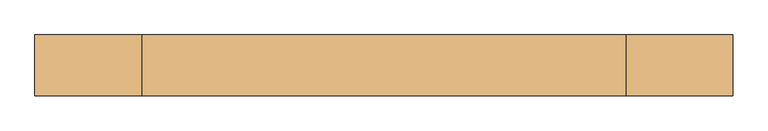
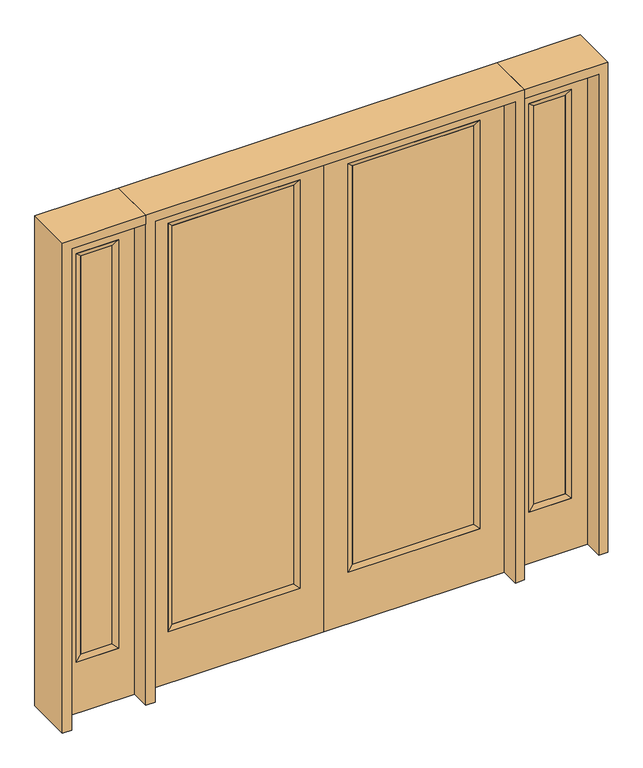
"""IFC4 building model written with IfcOpenShell, lengths in millimetres: door geometry."""

from ifc_helpers import new_model, si_unit, frame, origin, place, context, project, spatial, polyline, outline, extrude, faceted_brep, source, transform, mapped, element, save


def door_806835e6(model_context):
    return source(origin(), model_context, "Body", "SolidModel", [
        extrude(outline(polyline([(140.8176, -12.7039749), (140.8176, 14.2875), (722.7824, 14.2875), (722.7824, -12.7039749), (140.8176, -12.7039749)])), frame((0.0, 0.0, 285.75), z_axis=(0.0, 0.0, 1.0), x_axis=(1.0, 0.0, 0.0)), (0.0, 0.0, 1.0), 2019.3),
        faceted_brep([(140.8176, 14.2875, 2305.05), (140.8176, 14.2875, 285.75), (115.4176, 22.225, 260.35), (115.4176, 22.225, 2330.45), (115.4176, -22.225, 260.35), (115.4176, -22.225, 2330.45), (722.7824, 14.2875, 285.75), (748.1824, 22.225, 260.35), (140.8176, -12.7039749, 2305.05), (140.8176, -12.7039749, 285.75), (722.7824, -12.7039749, 285.75), (748.1824, -22.225, 260.35), (722.7824, 14.2875, 2305.05), (748.1824, 22.225, 2330.45), (722.7824, -12.7039749, 2305.05), (748.1824, -22.225, 2330.45)], [[[0, 1, 2, 3]], [[3, 2, 4, 5]], [[1, 6, 7, 2]], [[8, 9, 1, 0]], [[9, 10, 6, 1]], [[5, 4, 9, 8]], [[4, 11, 10, 9]], [[2, 7, 11, 4]], [[6, 12, 13, 7]], [[10, 14, 12, 6]], [[11, 15, 14, 10]], [[7, 13, 15, 11]], [[12, 0, 3, 13]], [[14, 8, 0, 12]], [[15, 5, 8, 14]], [[13, 3, 5, 15]]]),
        extrude(outline(polyline([(0.0, 863.6), (2438.4, 863.6), (2438.4, 0.0), (0.0, 0.0), (0.0, 863.6)]), holes=[polyline([(260.35, 748.1824), (260.35, 115.4176), (2330.45, 115.4176), (2330.45, 748.1824), (260.35, 748.1824)])]), frame((0.0, -22.225, 0.0), z_axis=(0.0, 1.0, 0.0), x_axis=(0.0, 0.0, 1.0)), (0.0, 0.0, 1.0), 44.45),
        extrude(outline(polyline([(-140.8176, -12.7039749), (-722.7824, -12.7039749), (-722.7824, 14.2875), (-140.8176, 14.2875), (-140.8176, -12.7039749)])), frame((0.0, 0.0, 285.75), z_axis=(0.0, 0.0, 1.0), x_axis=(1.0, 0.0, 0.0)), (0.0, 0.0, 1.0), 2019.3),
        faceted_brep([(-140.8176, 14.2875, 2305.05), (-115.4176, 22.225, 2330.45), (-115.4176, 22.225, 260.35), (-140.8176, 14.2875, 285.75), (-115.4176, -22.225, 2330.45), (-115.4176, -22.225, 260.35), (-748.1824, 22.225, 260.35), (-722.7824, 14.2875, 285.75), (-140.8176, -12.7039749, 2305.05), (-140.8176, -12.7039749, 285.75), (-722.7824, -12.7039749, 285.75), (-748.1824, -22.225, 260.35), (-748.1824, 22.225, 2330.45), (-722.7824, 14.2875, 2305.05), (-722.7824, -12.7039749, 2305.05), (-748.1824, -22.225, 2330.45)], [[[0, 1, 2, 3]], [[1, 4, 5, 2]], [[3, 2, 6, 7]], [[8, 0, 3, 9]], [[9, 3, 7, 10]], [[4, 8, 9, 5]], [[5, 9, 10, 11]], [[2, 5, 11, 6]], [[7, 6, 12, 13]], [[10, 7, 13, 14]], [[11, 10, 14, 15]], [[6, 11, 15, 12]], [[13, 12, 1, 0]], [[14, 13, 0, 8]], [[15, 14, 8, 4]], [[12, 15, 4, 1]]]),
        extrude(outline(polyline([(0.0, -863.6), (0.0, 0.0), (2438.4, 0.0), (2438.4, -863.6), (0.0, -863.6)]), holes=[polyline([(260.35, -748.1824), (2330.45, -748.1824), (2330.45, -115.4176), (260.35, -115.4176), (260.35, -748.1824)])]), frame((0.0, -22.225, 0.0), z_axis=(0.0, 1.0, 0.0), x_axis=(0.0, 0.0, 1.0)), (0.0, 0.0, 1.0), 44.45),
        faceted_brep([(984.25, 20.6375, 2330.45), (984.25, 20.6375, 260.35), (984.25, -20.6375, 260.35), (984.25, -20.6375, 2330.45), (1009.65, -12.7, 285.75), (1009.65, -12.7, 2305.05), (1187.45, 20.6375, 260.35), (1187.45, -20.6375, 260.35), (1009.65, 12.7, 2305.05), (1009.65, 12.7, 285.75), (1162.05, 12.7, 285.75), (1162.05, -12.7, 285.75), (1187.45, 20.6375, 2330.45), (1187.45, -20.6375, 2330.45), (1162.05, 12.7, 2305.05), (1162.05, -12.7, 2305.05)], [[[0, 1, 2, 3]], [[3, 2, 4, 5]], [[1, 6, 7, 2]], [[8, 9, 1, 0]], [[9, 10, 6, 1]], [[5, 4, 9, 8]], [[4, 11, 10, 9]], [[2, 7, 11, 4]], [[6, 12, 13, 7]], [[10, 14, 12, 6]], [[11, 15, 14, 10]], [[7, 13, 15, 11]], [[12, 0, 3, 13]], [[14, 8, 0, 12]], [[15, 5, 8, 14]], [[13, 3, 5, 15]]]),
        extrude(outline(polyline([(0.0, 1263.65), (2438.4, 1263.65), (2438.4, 908.05), (0.0, 908.05), (0.0, 1263.65)]), holes=[polyline([(2330.45, 984.25), (2330.45, 1187.45), (260.35, 1187.45), (260.35, 984.25), (2330.45, 984.25)])]), frame((0.0, -20.6375, 0.0), z_axis=(0.0, 1.0, 0.0), x_axis=(0.0, 0.0, 1.0)), (0.0, 0.0, 1.0), 41.275),
        extrude(outline(polyline([(1009.65, -12.7), (1009.65, 12.7), (1162.05, 12.7), (1162.05, -12.7), (1009.65, -12.7)])), frame((0.0, 0.0, 285.75), z_axis=(0.0, 0.0, 1.0), x_axis=(1.0, 0.0, 0.0)), (0.0, 0.0, 1.0), 2019.3),
        faceted_brep([(-984.25, 20.6375, 2330.45), (-984.25, -20.6375, 2330.45), (-984.25, -20.6375, 260.35), (-984.25, 20.6375, 260.35), (-1009.65, -12.7, 2305.05), (-1009.65, -12.7, 285.75), (-1187.45, -20.6375, 260.35), (-1187.45, 20.6375, 260.35), (-1009.65, 12.7, 2305.05), (-1009.65, 12.7, 285.75), (-1162.05, 12.7, 285.75), (-1162.05, -12.7, 285.75), (-1187.45, -20.6375, 2330.45), (-1187.45, 20.6375, 2330.45), (-1162.05, 12.7, 2305.05), (-1162.05, -12.7, 2305.05)], [[[0, 1, 2, 3]], [[1, 4, 5, 2]], [[3, 2, 6, 7]], [[8, 0, 3, 9]], [[9, 3, 7, 10]], [[4, 8, 9, 5]], [[5, 9, 10, 11]], [[2, 5, 11, 6]], [[7, 6, 12, 13]], [[10, 7, 13, 14]], [[11, 10, 14, 15]], [[6, 11, 15, 12]], [[13, 12, 1, 0]], [[14, 13, 0, 8]], [[15, 14, 8, 4]], [[12, 15, 4, 1]]]),
        extrude(outline(polyline([(0.0, -1263.65), (0.0, -908.05), (2438.4, -908.05), (2438.4, -1263.65), (0.0, -1263.65)]), holes=[polyline([(2330.45, -984.25), (260.35, -984.25), (260.35, -1187.45), (2330.45, -1187.45), (2330.45, -984.25)])]), frame((0.0, -20.6375, 0.0), z_axis=(0.0, 1.0, 0.0), x_axis=(0.0, 0.0, 1.0)), (0.0, 0.0, 1.0), 41.275),
        extrude(outline(polyline([(-1009.65, -12.7), (-1162.05, -12.7), (-1162.05, 12.7), (-1009.65, 12.7), (-1009.65, -12.7)])), frame((0.0, 0.0, 285.75), z_axis=(0.0, 0.0, 1.0), x_axis=(1.0, 0.0, 0.0)), (0.0, 0.0, 1.0), 2019.3),
        extrude(outline(polyline([(2438.4, -908.05), (2482.85, -908.05), (2482.85, -1308.1), (0.0, -1308.1), (0.0, -1263.65), (2438.4, -1263.65), (2438.4, -908.05)])), frame((0.0, -114.3, 0.0), z_axis=(0.0, 1.0, 0.0), x_axis=(0.0, 0.0, 1.0)), (0.0, 0.0, 1.0), 228.6),
        extrude(outline(polyline([(2482.85, -908.05), (0.0, -908.05), (0.0, -863.6), (2438.4, -863.6), (2438.4, 863.6), (0.0, 863.6), (0.0, 908.05), (2482.85, 908.05), (2482.85, -908.05)])), frame((0.0, -114.3, 0.0), z_axis=(0.0, 1.0, 0.0), x_axis=(0.0, 0.0, 1.0)), (0.0, 0.0, 1.0), 228.6),
        extrude(outline(polyline([(0.0, 1263.65), (0.0, 1308.1), (2482.85, 1308.1), (2482.85, 908.05), (2438.4, 908.05), (2438.4, 1263.65), (0.0, 1263.65)])), frame((0.0, -114.3, 0.0), z_axis=(0.0, 1.0, 0.0), x_axis=(0.0, 0.0, 1.0)), (0.0, 0.0, 1.0), 228.6),
    ])


if __name__ == "__main__":
    model = new_model("IFC4")
    model_context = context("Model", 3, world=origin())
    ifc_project = project(units=[si_unit("LENGTHUNIT", "METRE", prefix="MILLI")], contexts=[model_context])
    site = spatial("IfcSite", under=ifc_project)
    building = spatial("IfcBuilding", under=site)
    placement = place(None, origin())
    door_shape = door_806835e6(model_context)
    element("IfcDoor", 1, at=placement, inside=building, context=model_context, shape_type="MappedRepresentation", body=[
        mapped(door_shape, transform((0.0, 0.0, 0.0), x_axis=(1.0, 0.0, 0.0), y_axis=(0.0, 1.0, 0.0), z_axis=(0.0, 0.0, 1.0))),
    ])
    save(model, "model.ifc")
